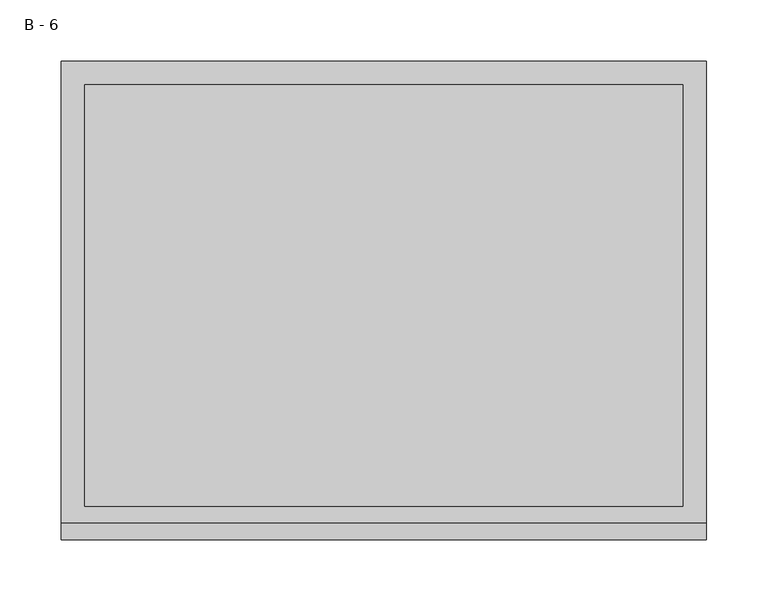
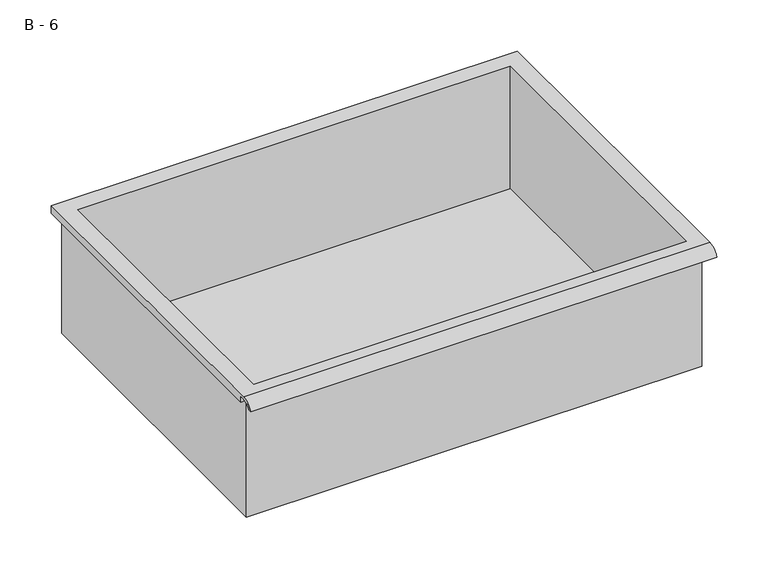
"""IFC4 building model written with IfcOpenShell, lengths in millimetres: furniture geometry, B - 6."""

import ifcopenshell
import ifcopenshell.guid

model = None  # the IFC model being written
_history = None  # IfcOwnerHistory: only IFC2X3 demands one
_inside = {}  # id of a spatial element -> (the spatial element, [elements in it])
_under = {}  # id of a project, library or spatial element -> (it, [spatial elements below it])
_declared = {}  # id of a project -> (the project, [libraries it declares])
_typed = {}  # id of a type object -> (the type object, [elements of that type])
_made_of = {}  # id of a material, layer set ... -> (it, [elements and type objects made of it])


def new_model(schema):
    """Start an empty IFC model of exactly this schema.

    Asked for "IFC4X3", IfcOpenShell would pick the latest addendum, in which some entities
    have other attributes; the version numbers below select the first issue.
    IFC2X3 requires an IfcOwnerHistory on every rooted entity: one is made here for all.
    """
    global model, _history
    if schema == "IFC4X3":
        model = ifcopenshell.file(schema_version=(4, 3, 0, 0))
    else:
        model = ifcopenshell.file(schema=schema)
    _inside.clear()
    _under.clear()
    _declared.clear()
    _typed.clear()
    _made_of.clear()
    _history = None
    if model.schema == "IFC2X3":
        org = make("IfcOrganization", Name="unknown")
        user = make(
            "IfcPersonAndOrganization",
            ThePerson=make("IfcPerson", FamilyName="unknown"),
            TheOrganization=org,
        )
        app = make(
            "IfcApplication",
            ApplicationDeveloper=org,
            Version="unknown",
            ApplicationFullName="unknown",
            ApplicationIdentifier="unknown",
        )
        _history = make(
            "IfcOwnerHistory",
            OwningUser=user,
            OwningApplication=app,
            ChangeAction="ADDED",
            CreationDate=0,
        )
    return model


def make(cls, **values):
    """One entity of the class cls with the attributes given. An attribute that is None is left unset."""
    return model.create_entity(
        cls, **{name: value for name, value in values.items() if value is not None}
    )


def rooted(cls, **values):
    """An entity with a GlobalId (a new one), such as an element, a storey or a relation."""
    return make(cls, GlobalId=ifcopenshell.guid.new(), OwnerHistory=_history, **values)


def si_unit(unit_type, name, prefix=None):
    """IfcSIUnit, for example si_unit("LENGTHUNIT", "METRE", prefix="MILLI")."""
    return make("IfcSIUnit", UnitType=unit_type, Prefix=prefix, Name=name)


def assignment(units):
    """IfcUnitAssignment: the units of a project."""
    return None if units is None else make("IfcUnitAssignment", Units=units)


def point(xyz):
    """IfcCartesianPoint."""
    return None if xyz is None else make("IfcCartesianPoint", Coordinates=xyz)


def direction(xyz):
    """IfcDirection."""
    return None if xyz is None else make("IfcDirection", DirectionRatios=xyz)


def frame(location, z_axis=None, x_axis=None):
    """IfcAxis2Placement3D, a coordinate frame: its origin and axes. An axis left out is left unset."""
    return make(
        "IfcAxis2Placement3D",
        Location=point(location),
        Axis=direction(z_axis),
        RefDirection=direction(x_axis),
    )


def origin():
    """The frame at (0, 0, 0) with its axes left unset."""
    return frame((0.0, 0.0, 0.0))


def place(relative_to, where):
    """IfcLocalPlacement: puts the frame where relative to a parent placement (None: the world)."""
    return make(
        "IfcLocalPlacement", PlacementRelTo=relative_to, RelativePlacement=where
    )


def context(
    kind, dimensions, precision=None, world=None, true_north=None, identifier=None
):
    """IfcGeometricRepresentationContext, for example the 3D "Model" context."""
    return make(
        "IfcGeometricRepresentationContext",
        ContextIdentifier=identifier,
        ContextType=kind,
        CoordinateSpaceDimension=dimensions,
        Precision=precision,
        WorldCoordinateSystem=world,
        TrueNorth=true_north,
    )


def project(units=None, contexts=None):
    """IfcProject with its units and contexts."""
    return rooted(
        "IfcProject",
        Name="project",
        RepresentationContexts=contexts,
        UnitsInContext=assignment(units),
    )


def spatial(cls, under=None, at=None, **own):
    """A site, building, storey or space (cls), placed at a placement, below another one or the project."""
    s = rooted(cls, ObjectPlacement=at, **own)
    if under is not None:
        _under.setdefault(under.id(), (under, []))[1].append(s)
    return s


def polyline(points):
    """IfcPolyline through the points."""
    return make("IfcPolyline", Points=[point(p) for p in points])


def circle_curve(where, radius):
    """IfcCircle in the frame where."""
    return make("IfcCircle", Position=where, Radius=radius)


def shape(context_of_items, identifier, shape_type, items):
    """IfcShapeRepresentation: the items that make up one representation, for example the "Body"."""
    return make(
        "IfcShapeRepresentation",
        ContextOfItems=context_of_items,
        RepresentationIdentifier=identifier,
        RepresentationType=shape_type,
        Items=items,
    )


def source(mapping_origin, context_of_items, identifier, shape_type, items):
    """IfcRepresentationMap: a shape defined once, which mapped items show again and again."""
    return make(
        "IfcRepresentationMap",
        MappingOrigin=mapping_origin,
        MappedRepresentation=shape(context_of_items, identifier, shape_type, items),
    )


def transform(
    local_origin,
    x_axis=None,
    y_axis=None,
    z_axis=None,
    scale=None,
    scale2=None,
    scale3=None,
    uniform=True,
):
    """IfcCartesianTransformationOperator3D, or its non-uniform kind. x_axis, y_axis, z_axis: its Axis1, 2, 3."""
    if uniform:
        return make(
            "IfcCartesianTransformationOperator3D",
            Axis1=direction(x_axis),
            Axis2=direction(y_axis),
            LocalOrigin=point(local_origin),
            Scale=scale,
            Axis3=direction(z_axis),
        )
    return make(
        "IfcCartesianTransformationOperator3DnonUniform",
        Axis1=direction(x_axis),
        Axis2=direction(y_axis),
        LocalOrigin=point(local_origin),
        Scale=scale,
        Axis3=direction(z_axis),
        Scale2=scale2,
        Scale3=scale3,
    )


def mapped(mapping_source, mapping_target):
    """IfcMappedItem: shows the shape of a source again, moved by a transform."""
    return make(
        "IfcMappedItem", MappingSource=mapping_source, MappingTarget=mapping_target
    )


def made_of(thing, what):
    """Note that an element or type object is made of a material, layer set ...; save() writes the relation."""
    if what is not None:
        _made_of.setdefault(what.id(), (what, []))[1].append(thing)
    return thing


def element(
    cls,
    number,
    at=None,
    inside=None,
    cuts=None,
    type_object=None,
    material=None,
    context=None,
    identifier="Body",
    shape_type=None,
    held_by="IfcProductDefinitionShape",
    body=None,
    shapes=None,
    **own,
):
    """One element of the class cls, such as IfcWall. Its Tag is "e" and its number.

    at: its placement. inside: the storey or other place that contains it. cuts: it is an
    opening in that element (IfcRelVoidsElement). A single representation is given by context,
    identifier, shape_type and body (its items); several are given by shapes. held_by: the class
    of the entity that holds the representations. save() writes the other relations.
    """
    e = rooted(cls, Tag="e%d" % number, ObjectPlacement=at, **own)
    if body is not None:
        shapes = [shape(context, identifier, shape_type, body)]
    if shapes is not None:
        e.Representation = make(held_by, Representations=shapes)
    if inside is not None:
        _inside.setdefault(inside.id(), (inside, []))[1].append(e)
    if cuts is not None:
        rooted(
            "IfcRelVoidsElement", RelatingBuildingElement=cuts, RelatedOpeningElement=e
        )
    if type_object is not None:
        _typed.setdefault(type_object.id(), (type_object, []))[1].append(e)
    return made_of(e, material)


def aggregate(whole, parts):
    """IfcRelAggregates: a whole, such as a stair, and the parts it consists of."""
    return rooted("IfcRelAggregates", RelatingObject=whole, RelatedObjects=parts)


def save(model, path):
    """Write the relations noted so far, then the file.

    IfcRelAggregates (storeys below a building ...), IfcRelContainedInSpatialStructure (elements
    in a storey), IfcRelDefinesByType, IfcRelAssociatesMaterial and IfcRelDeclares: one each for
    every whole, place, type object, material and project.
    """
    for whole, parts in _under.values():
        aggregate(whole, parts)
    for where, things in _inside.values():
        rooted(
            "IfcRelContainedInSpatialStructure",
            RelatedElements=things,
            RelatingStructure=where,
        )
    for kind, things in _typed.values():
        rooted("IfcRelDefinesByType", RelatedObjects=things, RelatingType=kind)
    for what, things in _made_of.values():
        rooted("IfcRelAssociatesMaterial", RelatedObjects=things, RelatingMaterial=what)
    for by, libraries in _declared.values():
        rooted("IfcRelDeclares", RelatingContext=by, RelatedDefinitions=libraries)
    model.write(path)


def plane_surface(at):
    """IfcPlane: the flat surface through the origin of the frame at, square to its z axis."""
    return make("IfcPlane", Position=at)


def cylinder_surface(at, radius):
    """IfcCylindricalSurface: all points at the distance radius from the z axis of the frame at."""
    return make("IfcCylindricalSurface", Position=at, Radius=radius)


def revolved_surface(curve, axis_point, axis_direction):
    """IfcSurfaceOfRevolution: the curve turned about the line through axis_point along axis_direction."""
    return make(
        "IfcSurfaceOfRevolution",
        SweptCurve=make("IfcArbitraryOpenProfileDef", ProfileType="CURVE", Curve=curve),
        AxisPosition=make("IfcAxis1Placement", Location=point(axis_point), Axis=direction(axis_direction)),
    )


def advanced_brep(points, edges, surfaces, faces):
    """IfcAdvancedBrep: a solid bounded by faces that lie on surfaces and meet in shared edges.

    An edge is (start, end): straight between two places in points (the first is 0);
    or (start, end, curve); or (start, end, curve, False) where it runs against its curve.
    A face is (place in surfaces, loops), or (place, loops, False) where it looks against
    its surface's normal. A loop lists edges by number (the first is 1), with a minus sign
    where the edge is run from its end to its start. The first loop is the outer one.
    """
    corners = [point(p) for p in points]
    vertices = [make("IfcVertexPoint", VertexGeometry=c) for c in corners]
    made = []
    for start, end, *more in edges:
        made.append(
            make(
                "IfcEdgeCurve",
                EdgeStart=vertices[start],
                EdgeEnd=vertices[end],
                EdgeGeometry=more[0] if more else make("IfcPolyline", Points=[corners[start], corners[end]]),
                SameSense=more[1] if len(more) > 1 else True,
            )
        )
    hull = []
    for where, loops, *sense in faces:
        bounds = []
        for j, loop in enumerate(loops):
            ring = [make("IfcOrientedEdge", EdgeElement=made[abs(k) - 1], Orientation=k > 0) for k in loop]
            bounds.append(
                make(
                    "IfcFaceOuterBound" if j == 0 else "IfcFaceBound",
                    Bound=make("IfcEdgeLoop", EdgeList=ring),
                    Orientation=True,
                )
            )
        hull.append(make("IfcAdvancedFace", Bounds=bounds, FaceSurface=surfaces[where], SameSense=sense[0] if sense else True))
    return make("IfcAdvancedBrep", Outer=make("IfcClosedShell", CfsFaces=hull))


def b_6_6d98f82c(model_context):
    return source(origin(), model_context, "Body", "AdvancedBrep", [
        advanced_brep(
        [(-257.1076517, -176.2125, 571.4111), (257.2423483, -176.2125, 571.4111), (257.2423483, -176.2125, 711.1111), (263.5923483, -176.2125, 711.1111), (263.5923483, -176.2125, 717.4182341), (-263.4576517, -176.2125, 717.4182341), (-263.4576517, -176.2125, 711.1111), (-257.1076517, -176.2125, 711.1111), (257.2423483, 185.7375, 571.4111), (-257.1076517, 185.7375, 571.4111), (-257.1076517, 185.7375, 711.1111), (257.2423483, 185.7375, 711.1111), (263.5923483, -181.6070544, 720.6361), (263.5923483, 195.2625, 720.6361), (-263.4576517, 195.2625, 720.6361), (-263.4576517, -181.6070544, 720.6361), (244.5423483, -168.275, 720.6361), (-244.4076517, -168.275, 720.6361), (-244.4076517, 176.2125, 720.6361), (244.5423483, 176.2125, 720.6361), (263.5923483, -195.2625, 711.1111), (263.5923483, -191.8280601, 711.1111), (263.5923483, -180.4714815, 717.4182341), (263.5923483, 195.2625, 711.1111), (-263.4576517, 195.2625, 711.1111), (-263.4576517, -180.4714815, 717.4182341), (-263.4576517, -191.8280601, 711.1111), (-263.4576517, -195.2625, 711.1111), (-244.4076517, -168.275, 574.4372719), (244.5423483, -168.275, 574.4372719), (244.5423483, 176.2125, 574.4372719), (-244.4076517, 176.2125, 574.4372719)],
        [
            (0, 1),
            (1, 2),
            (2, 3),
            (3, 4),
            (4, 5),
            (5, 6),
            (6, 7),
            (7, 0),
            (8, 9),
            (9, 10),
            (10, 11),
            (11, 8),
            (0, 9),
            (8, 1),
            (11, 2),
            (12, 13),
            (13, 14),
            (14, 15),
            (15, 12),
            (16, 17),
            (17, 18),
            (18, 19),
            (19, 16),
            (7, 10),
            (12, 20, circle_curve(frame((263.5923483, -181.6070544, 706.0850859), z_axis=(1.0, 0.0, 0.0), x_axis=(0.0, 1.0, 0.0)), 14.5510141)),
            (20, 21),
            (21, 22, circle_curve(frame((263.5923483, -181.6070544, 706.0850859), z_axis=(-1.0, 0.0, 0.0), x_axis=(0.0, 1.0, 0.0)), 11.3898979)),
            (22, 4),
            (3, 23),
            (23, 13),
            (14, 24),
            (24, 6),
            (5, 25),
            (25, 26, circle_curve(frame((-263.4576517, -181.6070544, 706.0850859), z_axis=(1.0, 0.0, 0.0), x_axis=(0.0, 1.0, 0.0)), 11.3898979)),
            (26, 27),
            (27, 15, circle_curve(frame((-263.4576517, -181.6070544, 706.0850859), z_axis=(-1.0, 0.0, 0.0), x_axis=(0.0, 1.0, 0.0)), 14.5510141)),
            (27, 20),
            (26, 21),
            (25, 22),
            (24, 23),
            (28, 29),
            (29, 30),
            (30, 31),
            (31, 28),
            (28, 17),
            (16, 29),
            (19, 30),
            (18, 31),
        ],
        [
            plane_surface(frame((257.2423483, -176.2125, 571.4111), z_axis=(0.0, -1.0, 0.0), x_axis=(1.0, 0.0, 0.0))),
            plane_surface(frame((257.2423483, 185.7375, 571.4111), z_axis=(0.0, 1.0, 0.0), x_axis=(-1.0, 0.0, 0.0))),
            plane_surface(frame((-257.1076517, -176.2125, 571.4111), z_axis=(0.0, 0.0, -1.0), x_axis=(0.0, 1.0, 0.0))),
            plane_surface(frame((257.2423483, -176.2125, 571.4111), z_axis=(1.0, 0.0, 0.0), x_axis=(0.0, 1.0, 0.0))),
            plane_surface(frame((257.2423483, -176.2125, 720.6361), z_axis=(0.0, 0.0, 1.0), x_axis=(0.0, 1.0, 0.0))),
            plane_surface(frame((-257.1076517, -176.2125, 720.6361), z_axis=(-1.0, 0.0, 0.0), x_axis=(0.0, 1.0, 0.0))),
            plane_surface(frame((263.5923483, 195.2625, 720.6361), z_axis=(1.0, 0.0, 0.0), x_axis=(0.0, -1.0, 0.0))),
            plane_surface(frame((-263.4576517, 195.2625, 720.6361), z_axis=(-1.0, 0.0, 0.0), x_axis=(0.0, 1.0, 0.0))),
            cylinder_surface(frame((-263.4576517, -181.6070544, 706.0850859), z_axis=(1.0, 0.0, 0.0), x_axis=(0.0, 1.0, 0.0)), 14.5510141),
            plane_surface(frame((263.5923483, -195.2625, 711.1111), z_axis=(0.0, -7.330645323407216e-12, -1.0), x_axis=(-1.0, 0.0, 0.0))),
            revolved_surface(polyline([(-263.4576517, -170.21715650000002, 706.0850859), (263.59234829999997, -170.21715650000002, 706.0850859)]), (-263.4576517, -181.6070544, 706.0850859), (-1.0, 0.0, 0.0)),
            plane_surface(frame((263.5923483, -180.4714815, 717.4182341), z_axis=(0.0, -1.8147447083355814e-11, -1.0), x_axis=(-1.0, 0.0, 0.0))),
            plane_surface(frame((263.5923483, -176.2125, 711.1111), z_axis=(0.0, 0.0, -1.0), x_axis=(-1.0, 0.0, 0.0))),
            plane_surface(frame((263.5923483, 195.2625, 711.1111), z_axis=(0.0, 1.0, 0.0), x_axis=(-1.0, 0.0, 0.0))),
            plane_surface(frame((244.5423483, -168.275, 574.4372719), z_axis=(0.0, 0.0, 1.0), x_axis=(-1.0, 0.0, 0.0))),
            plane_surface(frame((-244.4076517, -168.275, 720.6361), z_axis=(0.0, 1.0, 0.0), x_axis=(0.0, 0.0, -1.0))),
            plane_surface(frame((244.5423483, -168.275, 720.6361), z_axis=(-1.0, 0.0, 0.0), x_axis=(0.0, 0.0, -1.0))),
            plane_surface(frame((244.5423483, 176.2125, 720.6361), z_axis=(0.0, -1.0, 0.0), x_axis=(0.0, 0.0, -1.0))),
            plane_surface(frame((-244.4076517, 176.2125, 720.6361), z_axis=(1.0, 0.0, 0.0), x_axis=(0.0, 0.0, -1.0))),
        ],
        [
            (0, [[1, 2, 3, 4, 5, 6, 7, 8]]),
            (1, [[9, 10, 11, 12]]),
            (2, [[-1, 13, -9, 14]]),
            (3, [[-14, -12, 15, -2]]),
            (4, [[16, 17, 18, 19], [20, 21, 22, 23]]),
            (5, [[-13, -8, 24, -10]]),
            (6, [[-16, 25, 26, 27, 28, -4, 29, 30]]),
            (7, [[31, 32, -6, 33, 34, 35, 36, -18]]),
            (8, [[-25, -19, -36, 37]]),
            (9, [[-26, -37, -35, 38]]),
            (10, [[-27, -38, -34, 39]]),
            (11, [[-28, -39, -33, -5]]),
            (12, [[-29, -3, -15, -11, -24, -7, -32, 40]]),
            (13, [[-30, -40, -31, -17]]),
            (14, [[41, 42, 43, 44]]),
            (15, [[-41, 45, -20, 46]]),
            (16, [[-42, -46, -23, 47]]),
            (17, [[-43, -47, -22, 48]]),
            (18, [[-44, -48, -21, -45]]),
        ],
    ),
    ])


if __name__ == "__main__":
    model = new_model("IFC4")
    model_context = context("Model", 3, world=origin())
    ifc_project = project(units=[si_unit("LENGTHUNIT", "METRE", prefix="MILLI")], contexts=[model_context])
    site = spatial("IfcSite", under=ifc_project)
    building = spatial("IfcBuilding", under=site)
    placement = place(None, origin())
    b_6_shape = b_6_6d98f82c(model_context)
    element("IfcFurniture", 1, ObjectType="B - 6", at=placement, inside=building, context=model_context, shape_type="MappedRepresentation", body=[
        mapped(b_6_shape, transform((0.0, 0.0, 0.0), x_axis=(1.0, 0.0, 0.0), y_axis=(0.0, 1.0, 0.0), z_axis=(0.0, 0.0, 1.0))),
    ])
    save(model, "model.ifc")
